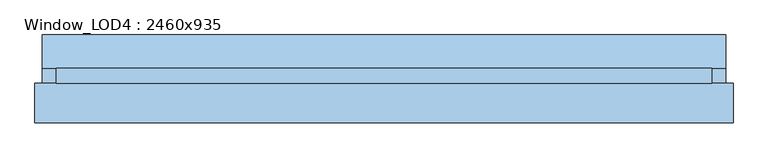
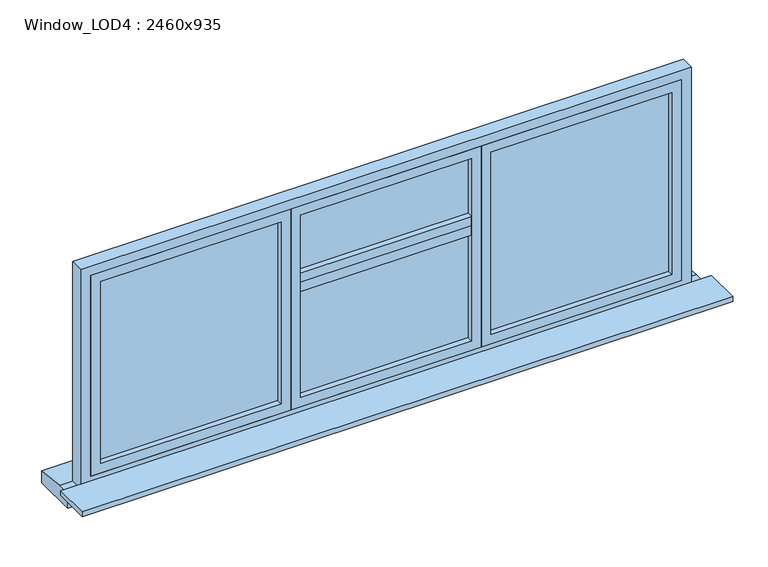
"""IFC4 building model written with IfcOpenShell, lengths in millimetres: window geometry, Window_LOD4 : 2460x935."""

from ifc_helpers import new_model, si_unit, frame, origin, place, context, project, spatial, polyline, outline, extrude, source, transform, mapped, element, save


def window_lod4_2460x935_24a8808f(model_context):
    return source(origin(), model_context, "Body", "SweptSolid", [
        extrude(outline(polyline([(343.3333498, 67.5), (-343.3333498, 67.5), (-343.3333498, 122.5), (343.3333498, 122.5), (343.3333498, 67.5)])), frame((0.0, 0.0, 1370.0), z_axis=(0.0, 0.0, 1.0), x_axis=(1.0, 0.0, 0.0)), (0.0, 0.0, 1.0), 40.0),
        extrude(outline(polyline([(343.3333498, 67.5), (-343.3333498, 67.5), (-343.3333498, 122.5), (343.3333498, 122.5), (343.3333498, 67.5)])), frame((0.0, 0.0, 1330.0), z_axis=(0.0, 0.0, 1.0), x_axis=(1.0, 0.0, 0.0)), (0.0, 0.0, 1.0), 40.0),
        extrude(outline(polyline([(1150.0000493, 90.0), (423.3333498, 90.0), (423.3333498, 100.0), (1150.0000493, 100.0), (1150.0000493, 90.0)])), frame((0.0, 0.0, 880.0), z_axis=(0.0, 0.0, 1.0), x_axis=(1.0, 0.0, 0.0)), (0.0, 0.0, 1.0), 775.0000374),
        extrude(outline(polyline([(343.3333498, 90.0), (-343.3333498, 90.0), (-343.3333498, 100.0), (343.3333498, 100.0), (343.3333498, 90.0)])), frame((0.0, 0.0, 880.0), z_axis=(0.0, 0.0, 1.0), x_axis=(1.0, 0.0, 0.0)), (0.0, 0.0, 1.0), 775.0000374),
        extrude(outline(polyline([(1695.0000374, 383.3333498), (840.0, 383.3333498), (840.0, 1190.0000493), (1695.0000374, 1190.0000493), (1695.0000374, 383.3333498)]), holes=[polyline([(1655.0000374, 423.3333498), (1655.0000374, 1150.0000493), (880.0, 1150.0000493), (880.0, 423.3333498), (1655.0000374, 423.3333498)])]), frame((0.0, 67.5, 0.0), z_axis=(0.0, 1.0, 0.0), x_axis=(0.0, 0.0, 1.0)), (0.0, 0.0, 1.0), 55.0),
        extrude(outline(polyline([(1695.0000374, -383.3333498), (840.0, -383.3333498), (840.0, 383.3333498), (1695.0000374, 383.3333498), (1695.0000374, -383.3333498)]), holes=[polyline([(1655.0000374, -343.3333498), (1655.0000374, 343.3333498), (880.0, 343.3333498), (880.0, -343.3333498), (1655.0000374, -343.3333498)])]), frame((0.0, 67.5, 0.0), z_axis=(0.0, 1.0, 0.0), x_axis=(0.0, 0.0, 1.0)), (0.0, 0.0, 1.0), 55.0),
        extrude(outline(polyline([(-423.3333498, 90.0), (-1150.0000493, 90.0), (-1150.0000493, 100.0), (-423.3333498, 100.0), (-423.3333498, 90.0)])), frame((0.0, 0.0, 880.0), z_axis=(0.0, 0.0, 1.0), x_axis=(1.0, 0.0, 0.0)), (0.0, 0.0, 1.0), 775.0000374),
        extrude(outline(polyline([(1695.0000374, -1190.0000493), (840.0, -1190.0000493), (840.0, -383.3333498), (1695.0000374, -383.3333498), (1695.0000374, -1190.0000493)]), holes=[polyline([(1655.0000374, -1150.0000493), (1655.0000374, -423.3333498), (880.0, -423.3333498), (880.0, -1150.0000493), (1655.0000374, -1150.0000493)])]), frame((0.0, 67.5, 0.0), z_axis=(0.0, 1.0, 0.0), x_axis=(0.0, 0.0, 1.0)), (0.0, 0.0, 1.0), 55.0),
        extrude(outline(polyline([(122.5, 800.0), (248.0818432, 785.0), (248.0818432, 735.0), (67.5, 735.0), (67.5, 800.0), (122.5, 800.0)])), frame((-1281.6825469, 0.0, 0.0), z_axis=(1.0, 0.0, 0.0), x_axis=(0.0, 1.0, 0.0)), (0.0, 0.0, 1.0), 2563.3650937),
        extrude(outline(polyline([(1735.0000374, -1230.0000493), (800.0, -1230.0000493), (800.0, 1230.0000493), (1735.0000374, 1230.0000493), (1735.0000374, -1230.0000493)]), holes=[polyline([(1695.0000374, -1190.0000493), (1695.0000374, 1190.0000493), (840.0, 1190.0000493), (840.0, -1190.0000493), (1695.0000374, -1190.0000493)])]), frame((0.0, 67.5, 0.0), z_axis=(0.0, 1.0, 0.0), x_axis=(0.0, 0.0, 1.0)), (0.0, 0.0, 1.0), 55.0),
        extrude(outline(polyline([(1310.0000493, 67.5), (1310.0000493, -81.2073268), (-1310.0000493, -81.2073268), (-1310.0000493, 67.5), (1310.0000493, 67.5)])), frame((0.0, 0.0, 800.0), z_axis=(0.0, 0.0, 1.0), x_axis=(1.0, 0.0, 0.0)), (0.0, 0.0, 1.0), 20.0),
    ])


if __name__ == "__main__":
    model = new_model("IFC4")
    model_context = context("Model", 3, world=origin())
    ifc_project = project(units=[si_unit("LENGTHUNIT", "METRE", prefix="MILLI")], contexts=[model_context])
    site = spatial("IfcSite", under=ifc_project)
    building = spatial("IfcBuilding", under=site)
    placement = place(None, origin())
    window_lod4_2460x935_shape = window_lod4_2460x935_24a8808f(model_context)
    element("IfcWindow", 1, ObjectType="Window_LOD4 : 2460x935", at=placement, inside=building, context=model_context, shape_type="MappedRepresentation", body=[
        mapped(window_lod4_2460x935_shape, transform((0.0, 0.0, 0.0), x_axis=(1.0, 0.0, 0.0), y_axis=(0.0, 1.0, 0.0), z_axis=(0.0, 0.0, 1.0))),
    ])
    save(model, "model.ifc")
